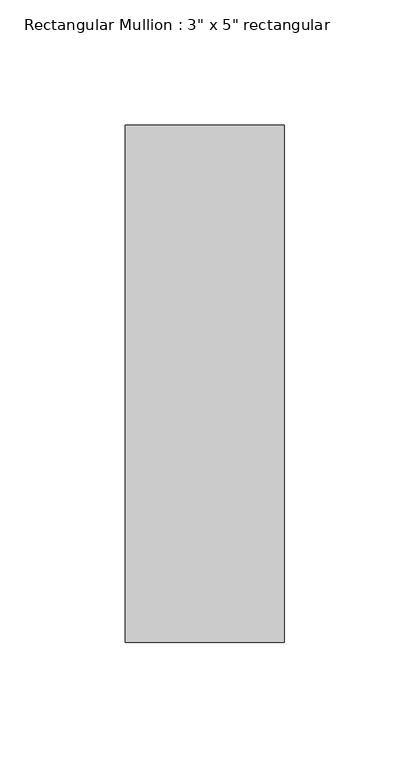
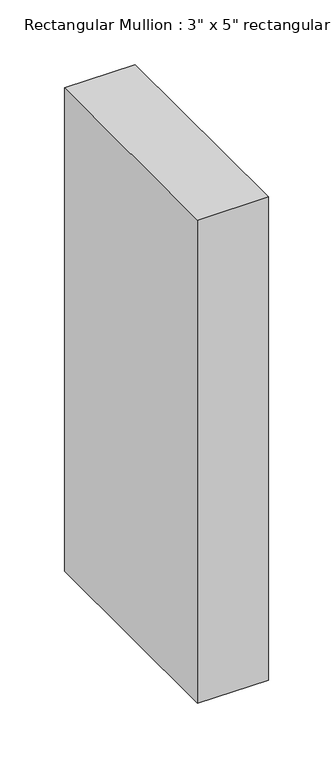
"""IFC4 building model written with IfcOpenShell, lengths in millimetres: member geometry."""

from ifc_helpers import new_model, si_unit, frame, origin, place, context, project, spatial, polyline, outline, extrude, source, transform, mapped, element, save


def member_0da28447(model_context):
    return source(origin(), model_context, "Body", "SweptSolid", [
        extrude(outline(polyline([(31.75, 90.551), (31.75, -115.951), (-31.75, -115.951), (-31.75, 90.551), (31.75, 90.551)])), frame((0.0, 0.0, -457.2), z_axis=(0.0, 0.0, 1.0), x_axis=(1.0, 0.0, 0.0)), (0.0, 0.0, 1.0), 457.2),
    ])


if __name__ == "__main__":
    model = new_model("IFC4")
    model_context = context("Model", 3, world=origin())
    ifc_project = project(units=[si_unit("LENGTHUNIT", "METRE", prefix="MILLI")], contexts=[model_context])
    site = spatial("IfcSite", under=ifc_project)
    building = spatial("IfcBuilding", under=site)
    placement = place(None, origin())
    member_shape = member_0da28447(model_context)
    element("IfcMember", 1, ObjectType="Rectangular Mullion : 3\" x 5\" rectangular", at=placement, inside=building, context=model_context, shape_type="MappedRepresentation", body=[
        mapped(member_shape, transform((0.0, 0.0, 0.0), x_axis=(1.0, 0.0, 0.0), y_axis=(0.0, 1.0, 0.0), z_axis=(0.0, 0.0, 1.0))),
    ])
    save(model, "model.ifc")
